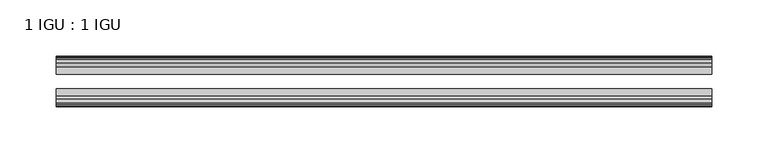
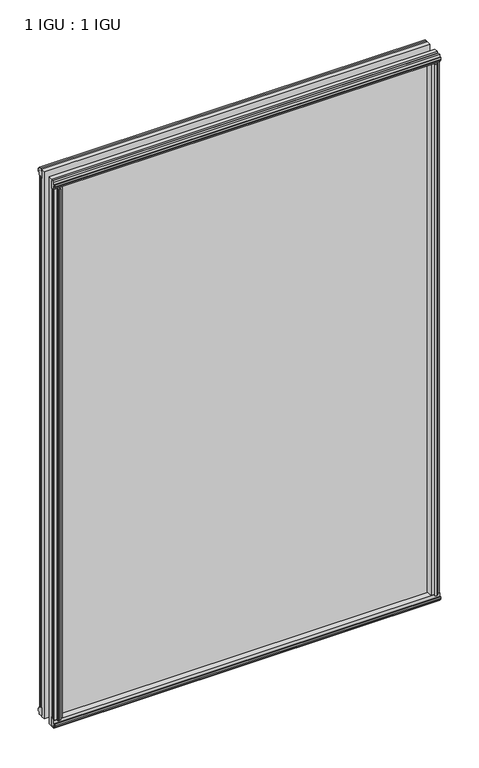
"""IFC4 building model written with IfcOpenShell, lengths in millimetres: plate geometry, 1 IGU : 1 IGU."""

from ifc_helpers import new_model, si_unit, frame, origin, origin_with_axes, place, context, project, spatial, polyline, outline, extrude, source, transform, mapped, element, save


def plate_1_igu_1_igu_fefd489c(model_context):
    return source(origin(), model_context, "Body", "SweptSolid", [
        extrude(outline(polyline([(277.8142137, -19.5460937), (279.9194908, -13.1960937), (285.1266852, -13.1960937), (285.5076852, -10.8158968), (284.0921562, -11.27583), (284.0921562, -10.4746158), (286.2696852, -9.7670937), (288.4472143, -10.4746158), (288.4472143, -11.27583), (287.0316852, -10.8158968), (287.4126852, -13.1960937), (291.8576852, -13.1960937), (291.8576852, -16.1419073), (289.6446077, -19.5460937), (277.8142137, -19.5460937)])), origin_with_axes(), (0.0, 0.0, 1.0), 850.9),
        extrude(outline(polyline([(-277.8142137, -19.5460937), (-289.6446077, -19.5460937), (-291.8576852, -16.1419073), (-291.8576852, -13.1960937), (-287.4126852, -13.1960937), (-287.0316852, -10.8158968), (-288.4472143, -11.27583), (-288.4472143, -10.4746158), (-286.2696852, -9.7670937), (-284.0921562, -10.4746158), (-284.0921562, -11.27583), (-285.5076852, -10.8158968), (-285.1266852, -13.1960937), (-279.9194908, -13.1960937), (-277.8142137, -19.5460937)])), origin_with_axes(), (0.0, 0.0, 1.0), 850.9),
        extrude(outline(polyline([(-16.1419073, -12.4576852), (-19.5460937, -10.2446077), (-19.5460937, 1.5857863), (-13.1960937, -0.5194908), (-13.1960937, -5.7266852), (-10.8158968, -6.1076852), (-11.27583, -4.6921562), (-10.4746158, -4.6921562), (-9.7670937, -6.8696852), (-10.4746158, -9.0472143), (-11.27583, -9.0472143), (-10.8158968, -7.6316852), (-13.1960937, -8.0126852), (-13.1960937, -12.4576852), (-16.1419073, -12.4576852)])), frame((-292.1, 0.0, 0.0), z_axis=(1.0, 0.0, 0.0), x_axis=(0.0, 1.0, 0.0)), (0.0, 0.0, 1.0), 584.2),
        extrude(outline(polyline([(-48.3502802, -11.938), (-51.2960937, -11.938), (-51.2960937, -7.493), (-53.6762907, -7.112), (-53.2163575, -8.5275291), (-54.0175717, -8.5275291), (-54.7250937, -6.35), (-54.0175717, -4.172471), (-53.2163575, -4.172471), (-53.6762907, -5.588), (-51.2960937, -5.207), (-51.2960937, 0.0001944), (-44.9460937, 2.1054715), (-44.9460937, -9.7249225), (-48.3502802, -11.938)])), frame((-292.1, 0.0, 0.0), z_axis=(1.0, 0.0, 0.0), x_axis=(0.0, 1.0, 0.0)), (0.0, 0.0, 1.0), 584.2),
        extrude(outline(polyline([(-16.1028367, 863.3576852), (-13.1960937, 863.3576852), (-13.1960937, 858.9126852), (-10.8158968, 858.5316852), (-11.27583, 859.9472143), (-10.4746158, 859.9472143), (-9.7670937, 857.7696852), (-10.4746158, 855.5921562), (-11.27583, 855.5921562), (-10.8158968, 857.0076852), (-13.1960937, 856.6266852), (-13.1960937, 851.3940908), (-19.5460937, 849.2888137), (-19.5460937, 861.1192077), (-16.1028367, 863.3576852)])), frame((-292.1, 0.0, 0.0), z_axis=(1.0, 0.0, 0.0), x_axis=(0.0, 1.0, 0.0)), (0.0, 0.0, 1.0), 584.2),
        extrude(outline(polyline([(-48.3893508, 862.8126), (-44.9460937, 860.5741225), (-44.9460937, 848.7437285), (-51.2960937, 850.8490056), (-51.2960937, 856.0816), (-53.6762907, 856.4626), (-53.2163575, 855.047071), (-54.0175717, 855.047071), (-54.7250938, 857.2246), (-54.0175717, 859.4021291), (-53.2163575, 859.4021291), (-53.6762907, 857.9866), (-51.2960937, 858.3676), (-51.2960937, 862.8126), (-48.3893508, 862.8126)])), frame((-292.1, 0.0, 0.0), z_axis=(1.0, 0.0, 0.0), x_axis=(0.0, 1.0, 0.0)), (0.0, 0.0, 1.0), 584.2),
        extrude(outline(polyline([(-277.2945285, -44.9460938), (-279.3998056, -51.2960938), (-284.607, -51.2960938), (-284.988, -53.6762907), (-283.572471, -53.2163575), (-283.572471, -54.0175717), (-285.75, -54.7250938), (-287.9275291, -54.0175717), (-287.9275291, -53.2163575), (-286.512, -53.6762907), (-286.893, -51.2960938), (-291.338, -51.2960938), (-291.338, -48.3502802), (-289.1249225, -44.9460938), (-277.2945285, -44.9460938)])), origin_with_axes(), (0.0, 0.0, 1.0), 850.9),
        extrude(outline(polyline([(277.2945285, -44.9460938), (289.1249225, -44.9460938), (291.338, -48.3502802), (291.338, -51.2960938), (286.893, -51.2960938), (286.512, -53.6762907), (287.9275291, -53.2163575), (287.9275291, -54.0175717), (285.75, -54.7250938), (283.572471, -54.0175717), (283.572471, -53.2163575), (284.988, -53.6762907), (284.607, -51.2960938), (279.3998056, -51.2960938), (277.2945285, -44.9460938)])), origin_with_axes(), (0.0, 0.0, 1.0), 850.9),
        extrude(outline(polyline([(292.1, -19.5460937), (292.1, -25.8337453), (-292.1, -25.8337453), (-292.1, -19.5460937), (292.1, -19.5460937)])), frame((0.0, 0.0, -12.7), z_axis=(0.0, 0.0, 1.0), x_axis=(1.0, 0.0, 0.0)), (0.0, 0.0, 1.0), 876.2872998),
        extrude(outline(polyline([(-292.1, -44.9460937), (-292.1, -38.6468938), (292.1, -38.6468938), (292.1, -44.9460937), (-292.1, -44.9460937)])), frame((0.0, 0.0, -12.7), z_axis=(0.0, 0.0, 1.0), x_axis=(1.0, 0.0, 0.0)), (0.0, 0.0, 1.0), 876.2872998),
    ])


if __name__ == "__main__":
    model = new_model("IFC4")
    model_context = context("Model", 3, world=origin())
    ifc_project = project(units=[si_unit("LENGTHUNIT", "METRE", prefix="MILLI")], contexts=[model_context])
    site = spatial("IfcSite", under=ifc_project)
    building = spatial("IfcBuilding", under=site)
    placement = place(None, origin())
    plate_1_igu_1_igu_shape = plate_1_igu_1_igu_fefd489c(model_context)
    element("IfcPlate", 1, ObjectType="1 IGU : 1 IGU", at=placement, inside=building, context=model_context, shape_type="MappedRepresentation", body=[
        mapped(plate_1_igu_1_igu_shape, transform((0.0, 0.0, 0.0), x_axis=(1.0, 0.0, 0.0), y_axis=(0.0, 1.0, 0.0), z_axis=(0.0, 0.0, 1.0))),
    ])
    save(model, "model.ifc")
